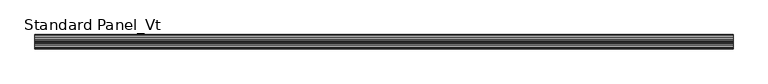
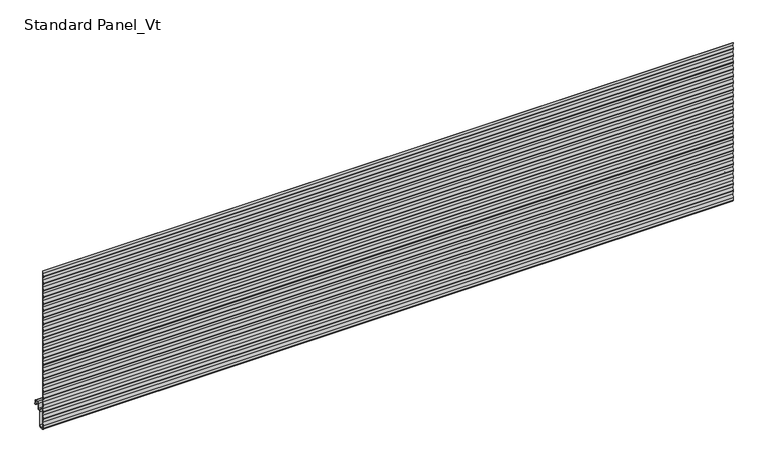
"""IFC4 building model written with IfcOpenShell, lengths in millimetres: proxy geometry, Standard Panel_Vt."""

import ifcopenshell
import ifcopenshell.guid

model = None  # the IFC model being written
_history = None  # IfcOwnerHistory: only IFC2X3 demands one
_inside = {}  # id of a spatial element -> (the spatial element, [elements in it])
_under = {}  # id of a project, library or spatial element -> (it, [spatial elements below it])
_declared = {}  # id of a project -> (the project, [libraries it declares])
_typed = {}  # id of a type object -> (the type object, [elements of that type])
_made_of = {}  # id of a material, layer set ... -> (it, [elements and type objects made of it])


def new_model(schema):
    """Start an empty IFC model of exactly this schema.

    Asked for "IFC4X3", IfcOpenShell would pick the latest addendum, in which some entities
    have other attributes; the version numbers below select the first issue.
    IFC2X3 requires an IfcOwnerHistory on every rooted entity: one is made here for all.
    """
    global model, _history
    if schema == "IFC4X3":
        model = ifcopenshell.file(schema_version=(4, 3, 0, 0))
    else:
        model = ifcopenshell.file(schema=schema)
    _inside.clear()
    _under.clear()
    _declared.clear()
    _typed.clear()
    _made_of.clear()
    _history = None
    if model.schema == "IFC2X3":
        org = make("IfcOrganization", Name="unknown")
        user = make(
            "IfcPersonAndOrganization",
            ThePerson=make("IfcPerson", FamilyName="unknown"),
            TheOrganization=org,
        )
        app = make(
            "IfcApplication",
            ApplicationDeveloper=org,
            Version="unknown",
            ApplicationFullName="unknown",
            ApplicationIdentifier="unknown",
        )
        _history = make(
            "IfcOwnerHistory",
            OwningUser=user,
            OwningApplication=app,
            ChangeAction="ADDED",
            CreationDate=0,
        )
    return model


def make(cls, **values):
    """One entity of the class cls with the attributes given. An attribute that is None is left unset."""
    return model.create_entity(
        cls, **{name: value for name, value in values.items() if value is not None}
    )


def rooted(cls, **values):
    """An entity with a GlobalId (a new one), such as an element, a storey or a relation."""
    return make(cls, GlobalId=ifcopenshell.guid.new(), OwnerHistory=_history, **values)


def si_unit(unit_type, name, prefix=None):
    """IfcSIUnit, for example si_unit("LENGTHUNIT", "METRE", prefix="MILLI")."""
    return make("IfcSIUnit", UnitType=unit_type, Prefix=prefix, Name=name)


def assignment(units):
    """IfcUnitAssignment: the units of a project."""
    return None if units is None else make("IfcUnitAssignment", Units=units)


def point(xyz):
    """IfcCartesianPoint."""
    return None if xyz is None else make("IfcCartesianPoint", Coordinates=xyz)


def direction(xyz):
    """IfcDirection."""
    return None if xyz is None else make("IfcDirection", DirectionRatios=xyz)


def frame(location, z_axis=None, x_axis=None):
    """IfcAxis2Placement3D, a coordinate frame: its origin and axes. An axis left out is left unset."""
    return make(
        "IfcAxis2Placement3D",
        Location=point(location),
        Axis=direction(z_axis),
        RefDirection=direction(x_axis),
    )


def frame_2d(location, x_axis=None):
    """IfcAxis2Placement2D, a coordinate frame in the plane: its origin and x axis."""
    return make(
        "IfcAxis2Placement2D", Location=point(location), RefDirection=direction(x_axis)
    )


def origin():
    """The frame at (0, 0, 0) with its axes left unset."""
    return frame((0.0, 0.0, 0.0))


def place(relative_to, where):
    """IfcLocalPlacement: puts the frame where relative to a parent placement (None: the world)."""
    return make(
        "IfcLocalPlacement", PlacementRelTo=relative_to, RelativePlacement=where
    )


def context(
    kind, dimensions, precision=None, world=None, true_north=None, identifier=None
):
    """IfcGeometricRepresentationContext, for example the 3D "Model" context."""
    return make(
        "IfcGeometricRepresentationContext",
        ContextIdentifier=identifier,
        ContextType=kind,
        CoordinateSpaceDimension=dimensions,
        Precision=precision,
        WorldCoordinateSystem=world,
        TrueNorth=true_north,
    )


def project(units=None, contexts=None):
    """IfcProject with its units and contexts."""
    return rooted(
        "IfcProject",
        Name="project",
        RepresentationContexts=contexts,
        UnitsInContext=assignment(units),
    )


def spatial(cls, under=None, at=None, **own):
    """A site, building, storey or space (cls), placed at a placement, below another one or the project."""
    s = rooted(cls, ObjectPlacement=at, **own)
    if under is not None:
        _under.setdefault(under.id(), (under, []))[1].append(s)
    return s


def polyline(points):
    """IfcPolyline through the points."""
    return make("IfcPolyline", Points=[point(p) for p in points])


def circle_curve(where, radius):
    """IfcCircle in the frame where."""
    return make("IfcCircle", Position=where, Radius=radius)


def trimmed(basis, trim1, trim2, sense, master):
    """IfcTrimmedCurve: the piece of a basis curve between two trims."""
    return make(
        "IfcTrimmedCurve",
        BasisCurve=basis,
        Trim1=trim1,
        Trim2=trim2,
        SenseAgreement=sense,
        MasterRepresentation=master,
    )


def segment(curve, same_sense, transition):
    """IfcCompositeCurveSegment."""
    return make(
        "IfcCompositeCurveSegment",
        Transition=transition,
        SameSense=same_sense,
        ParentCurve=curve,
    )


def composite_curve(segments, self_intersect=None):
    """IfcCompositeCurve: segments joined end to end."""
    return make("IfcCompositeCurve", Segments=segments, SelfIntersect=self_intersect)


def outline(outer, holes=None, kind="AREA"):
    """IfcArbitraryClosedProfileDef: a profile drawn as a closed curve; with holes, ...WithVoids."""
    if holes is None:
        return make("IfcArbitraryClosedProfileDef", ProfileType=kind, OuterCurve=outer)
    return make(
        "IfcArbitraryProfileDefWithVoids",
        ProfileType=kind,
        OuterCurve=outer,
        InnerCurves=holes,
    )


def extrude(swept, where, along, depth):
    """IfcExtrudedAreaSolid: the profile swept, set in the frame where, extruded along a direction by depth."""
    return make(
        "IfcExtrudedAreaSolid",
        SweptArea=swept,
        Position=where,
        ExtrudedDirection=direction(along),
        Depth=depth,
    )


def shape(context_of_items, identifier, shape_type, items):
    """IfcShapeRepresentation: the items that make up one representation, for example the "Body"."""
    return make(
        "IfcShapeRepresentation",
        ContextOfItems=context_of_items,
        RepresentationIdentifier=identifier,
        RepresentationType=shape_type,
        Items=items,
    )


def source(mapping_origin, context_of_items, identifier, shape_type, items):
    """IfcRepresentationMap: a shape defined once, which mapped items show again and again."""
    return make(
        "IfcRepresentationMap",
        MappingOrigin=mapping_origin,
        MappedRepresentation=shape(context_of_items, identifier, shape_type, items),
    )


def transform(
    local_origin,
    x_axis=None,
    y_axis=None,
    z_axis=None,
    scale=None,
    scale2=None,
    scale3=None,
    uniform=True,
):
    """IfcCartesianTransformationOperator3D, or its non-uniform kind. x_axis, y_axis, z_axis: its Axis1, 2, 3."""
    if uniform:
        return make(
            "IfcCartesianTransformationOperator3D",
            Axis1=direction(x_axis),
            Axis2=direction(y_axis),
            LocalOrigin=point(local_origin),
            Scale=scale,
            Axis3=direction(z_axis),
        )
    return make(
        "IfcCartesianTransformationOperator3DnonUniform",
        Axis1=direction(x_axis),
        Axis2=direction(y_axis),
        LocalOrigin=point(local_origin),
        Scale=scale,
        Axis3=direction(z_axis),
        Scale2=scale2,
        Scale3=scale3,
    )


def mapped(mapping_source, mapping_target):
    """IfcMappedItem: shows the shape of a source again, moved by a transform."""
    return make(
        "IfcMappedItem", MappingSource=mapping_source, MappingTarget=mapping_target
    )


def made_of(thing, what):
    """Note that an element or type object is made of a material, layer set ...; save() writes the relation."""
    if what is not None:
        _made_of.setdefault(what.id(), (what, []))[1].append(thing)
    return thing


def element(
    cls,
    number,
    at=None,
    inside=None,
    cuts=None,
    type_object=None,
    material=None,
    context=None,
    identifier="Body",
    shape_type=None,
    held_by="IfcProductDefinitionShape",
    body=None,
    shapes=None,
    **own,
):
    """One element of the class cls, such as IfcWall. Its Tag is "e" and its number.

    at: its placement. inside: the storey or other place that contains it. cuts: it is an
    opening in that element (IfcRelVoidsElement). A single representation is given by context,
    identifier, shape_type and body (its items); several are given by shapes. held_by: the class
    of the entity that holds the representations. save() writes the other relations.
    """
    e = rooted(cls, Tag="e%d" % number, ObjectPlacement=at, **own)
    if body is not None:
        shapes = [shape(context, identifier, shape_type, body)]
    if shapes is not None:
        e.Representation = make(held_by, Representations=shapes)
    if inside is not None:
        _inside.setdefault(inside.id(), (inside, []))[1].append(e)
    if cuts is not None:
        rooted(
            "IfcRelVoidsElement", RelatingBuildingElement=cuts, RelatedOpeningElement=e
        )
    if type_object is not None:
        _typed.setdefault(type_object.id(), (type_object, []))[1].append(e)
    return made_of(e, material)


def aggregate(whole, parts):
    """IfcRelAggregates: a whole, such as a stair, and the parts it consists of."""
    return rooted("IfcRelAggregates", RelatingObject=whole, RelatedObjects=parts)


def save(model, path):
    """Write the relations noted so far, then the file.

    IfcRelAggregates (storeys below a building ...), IfcRelContainedInSpatialStructure (elements
    in a storey), IfcRelDefinesByType, IfcRelAssociatesMaterial and IfcRelDeclares: one each for
    every whole, place, type object, material and project.
    """
    for whole, parts in _under.values():
        aggregate(whole, parts)
    for where, things in _inside.values():
        rooted(
            "IfcRelContainedInSpatialStructure",
            RelatedElements=things,
            RelatingStructure=where,
        )
    for kind, things in _typed.values():
        rooted("IfcRelDefinesByType", RelatedObjects=things, RelatingType=kind)
    for what, things in _made_of.values():
        rooted("IfcRelAssociatesMaterial", RelatedObjects=things, RelatingMaterial=what)
    for by, libraries in _declared.values():
        rooted("IfcRelDeclares", RelatingContext=by, RelatedDefinitions=libraries)
    model.write(path)


def standard_panel_vt_7b15335d(model_context):
    return source(origin(), model_context, "Body", "SweptSolid", [
        extrude(outline(composite_curve([segment(polyline([(-69.0382692, 314.7570927), (-69.7373235, 320.0), (-68.9302437, 320.0), (-68.2311894, 314.7570927), (-69.1690104, 307.7234349)]), True, "CONTINUOUS"), segment(trimmed(circle_curve(frame_2d((-65.5946345, 307.2468514)), 3.6060082), [point((-69.1690104, 307.7234349))], [point((-69.1690104, 306.770268))], True, "CARTESIAN"), True, "CONTINUOUS"), segment(polyline([(-69.1690104, 306.770268), (-68.2311894, 299.7366102), (-69.1690104, 292.7029524)]), True, "CONTINUOUS"), segment(trimmed(circle_curve(frame_2d((-65.5946345, 292.226369)), 3.6060082), [point((-69.1690104, 292.7029524))], [point((-69.1690104, 291.7497855))], True, "CARTESIAN"), True, "CONTINUOUS"), segment(polyline([(-69.1690104, 291.7497855), (-68.2311894, 284.7161278), (-69.1690104, 277.68247)]), True, "CONTINUOUS"), segment(trimmed(circle_curve(frame_2d((-65.5946345, 277.2058865)), 3.6060082), [point((-69.1690104, 277.68247))], [point((-69.1690104, 276.7293031))], True, "CARTESIAN"), True, "CONTINUOUS"), segment(polyline([(-69.1690104, 276.7293031), (-68.2311894, 269.6956453), (-69.1690104, 262.6619875)]), True, "CONTINUOUS"), segment(trimmed(circle_curve(frame_2d((-65.5946345, 262.1854041)), 3.6060082), [point((-69.1690104, 262.6619875))], [point((-69.1690104, 261.7088206))], True, "CARTESIAN"), True, "CONTINUOUS"), segment(polyline([(-69.1690104, 261.7088206), (-68.2311894, 254.6751629), (-69.1690104, 247.6415051)]), True, "CONTINUOUS"), segment(trimmed(circle_curve(frame_2d((-65.5946345, 247.1649216)), 3.6060082), [point((-69.1690104, 247.6415051))], [point((-69.1690104, 246.6883382))], True, "CARTESIAN"), True, "CONTINUOUS"), segment(polyline([(-69.1690104, 246.6883382), (-68.2311894, 239.6546804), (-69.1690104, 232.6210227)]), True, "CONTINUOUS"), segment(trimmed(circle_curve(frame_2d((-65.5946345, 232.1444392)), 3.6060082), [point((-69.1690104, 232.6210227))], [point((-69.1690104, 231.6678557))], True, "CARTESIAN"), True, "CONTINUOUS"), segment(polyline([(-69.1690104, 231.6678557), (-68.2311894, 224.634198), (-69.1690104, 217.6005402)]), True, "CONTINUOUS"), segment(trimmed(circle_curve(frame_2d((-65.5946345, 217.1239568)), 3.6060082), [point((-69.1690104, 217.6005402))], [point((-69.1690104, 216.6473733))], True, "CARTESIAN"), True, "CONTINUOUS"), segment(polyline([(-69.1690104, 216.6473733), (-68.2311894, 209.6137155), (-69.1690104, 202.5800578)]), True, "CONTINUOUS"), segment(trimmed(circle_curve(frame_2d((-65.5946345, 202.1034743)), 3.6060082), [point((-69.1690104, 202.5800578))], [point((-69.1690104, 201.6268908))], True, "CARTESIAN"), True, "CONTINUOUS"), segment(polyline([(-69.1690104, 201.6268908), (-68.2311894, 194.5932331), (-69.1690104, 187.5595753)]), True, "CONTINUOUS"), segment(trimmed(circle_curve(frame_2d((-65.5946345, 187.0829919)), 3.6060082), [point((-69.1690104, 187.5595753))], [point((-69.1690104, 186.6064084))], True, "CARTESIAN"), True, "CONTINUOUS"), segment(polyline([(-69.1690104, 186.6064084), (-68.2311894, 179.5727507), (-69.1690104, 172.5390929)]), True, "CONTINUOUS"), segment(trimmed(circle_curve(frame_2d((-65.5946345, 172.0625094)), 3.6060082), [point((-69.1690104, 172.5390929))], [point((-69.1690104, 171.585926))], True, "CARTESIAN"), True, "CONTINUOUS"), segment(polyline([(-69.1690104, 171.585926), (-68.2311894, 164.5522682), (-69.1690104, 157.5186104)]), True, "CONTINUOUS"), segment(trimmed(circle_curve(frame_2d((-65.5946345, 157.042027)), 3.6060082), [point((-69.1690104, 157.5186104))], [point((-69.1690104, 156.5654435))], True, "CARTESIAN"), True, "CONTINUOUS"), segment(polyline([(-69.1690104, 156.5654435), (-68.2311894, 149.5317858), (-69.1690104, 142.498128)]), True, "CONTINUOUS"), segment(trimmed(circle_curve(frame_2d((-65.5946345, 142.0215445)), 3.6060082), [point((-69.1690104, 142.498128))], [point((-69.1690104, 141.5449611))], True, "CARTESIAN"), True, "CONTINUOUS"), segment(polyline([(-69.1690104, 141.5449611), (-68.2311894, 134.5113033), (-69.1690104, 127.4776455)]), True, "CONTINUOUS"), segment(trimmed(circle_curve(frame_2d((-65.5946345, 127.0010621)), 3.6060082), [point((-69.1690104, 127.4776455))], [point((-69.1690104, 126.5244786))], True, "CARTESIAN"), True, "CONTINUOUS"), segment(polyline([(-69.1690104, 126.5244786), (-68.2311894, 119.4908209), (-69.1690104, 112.4571631)]), True, "CONTINUOUS"), segment(trimmed(circle_curve(frame_2d((-65.5946345, 111.9805796)), 3.6060082), [point((-69.1690104, 112.4571631))], [point((-69.1690104, 111.5039962))], True, "CARTESIAN"), True, "CONTINUOUS"), segment(polyline([(-69.1690104, 111.5039962), (-68.2311894, 104.4703384), (-69.1690104, 97.4366807)]), True, "CONTINUOUS"), segment(trimmed(circle_curve(frame_2d((-65.5946345, 96.9600972)), 3.6060082), [point((-69.1690104, 97.4366807))], [point((-69.1690104, 96.4835137))], True, "CARTESIAN"), True, "CONTINUOUS"), segment(polyline([(-69.1690104, 96.4835137), (-68.2311894, 89.449856), (-69.1690104, 82.4161982)]), True, "CONTINUOUS"), segment(trimmed(circle_curve(frame_2d((-65.5946345, 81.9396148)), 3.6060082), [point((-69.1690104, 82.4161982))], [point((-69.1690104, 81.4630313))], True, "CARTESIAN"), True, "CONTINUOUS"), segment(polyline([(-69.1690104, 81.4630313), (-68.2311894, 74.4293735), (-69.1690104, 67.3957158)]), True, "CONTINUOUS"), segment(trimmed(circle_curve(frame_2d((-65.5946345, 66.9191323)), 3.6060082), [point((-69.1690104, 67.3957158))], [point((-69.1690104, 66.4425488))], True, "CARTESIAN"), True, "CONTINUOUS"), segment(polyline([(-69.1690104, 66.4425488), (-68.2311894, 59.4088911), (-69.1690104, 52.3752333)]), True, "CONTINUOUS"), segment(trimmed(circle_curve(frame_2d((-65.5946345, 51.8986499)), 3.6060082), [point((-69.1690104, 52.3752333))], [point((-69.1690104, 51.4220664))], True, "CARTESIAN"), True, "CONTINUOUS"), segment(polyline([(-69.1690104, 51.4220664), (-68.2311894, 44.3884087), (-69.1690104, 37.3547509)]), True, "CONTINUOUS"), segment(trimmed(circle_curve(frame_2d((-65.5946345, 36.8781674)), 3.6060082), [point((-69.1690104, 37.3547509))], [point((-69.1690104, 36.401584))], True, "CARTESIAN"), True, "CONTINUOUS"), segment(polyline([(-69.1690104, 36.401584), (-68.2311894, 29.3679262), (-69.2325549, 21.857685), (-68.2311894, 14.3474437), (-69.1690104, 7.313786)]), True, "CONTINUOUS"), segment(trimmed(circle_curve(frame_2d((-65.5946345, 6.8372025)), 3.6060082), [point((-69.1690104, 7.313786))], [point((-69.1690104, 6.3606191))], True, "CARTESIAN"), True, "CONTINUOUS"), segment(polyline([(-69.1690104, 6.3606191), (-68.2311894, -0.6730387), (-69.1690104, -7.7066964)]), True, "CONTINUOUS"), segment(trimmed(circle_curve(frame_2d((-65.5946345, -8.1832799)), 3.6060082), [point((-69.1690104, -7.7066964))], [point((-69.1690104, -8.6598634))], True, "CARTESIAN"), True, "CONTINUOUS"), segment(polyline([(-69.1690104, -8.6598634), (-68.2311894, -15.6935211), (-69.2006275, -22.9643066), (-69.2006275, -28.9549199)]), True, "CONTINUOUS"), segment(trimmed(circle_curve(frame_2d((-66.4402183, -28.9549199)), 2.7604092), [point((-69.2006275, -28.9549199))], [point((-66.1996106, -31.704823))], True, "CARTESIAN"), True, "CONTINUOUS"), segment(polyline([(-66.1996106, -31.704823), (-61.4529208, -31.2895029)]), True, "CONTINUOUS"), segment(trimmed(circle_curve(frame_2d((-61.7057134, -28.4003379)), 2.9002032), [point((-61.4529208, -31.2895029))], [point((-58.8055103, -28.4003379))], True, "CARTESIAN"), True, "CONTINUOUS"), segment(polyline([(-58.8055103, -28.4003379), (-58.8055103, 1.2289307)]), True, "CONTINUOUS"), segment(trimmed(circle_curve(frame_2d((-56.4057064, 1.2289307)), 2.3998039), [point((-58.8055103, 1.2289307))], [point((-56.4057064, 3.6287346))], False, "CARTESIAN"), True, "CONTINUOUS"), segment(polyline([(-56.4057064, 3.6287346), (-54.4057064, 3.6287346)]), True, "CONTINUOUS"), segment(trimmed(circle_curve(frame_2d((-54.4057064, 5.2289307)), 1.6001961), [point((-54.4057064, 3.6287346))], [point((-52.8055103, 5.2289307))], True, "CARTESIAN"), True, "CONTINUOUS"), segment(polyline([(-52.8055103, 5.2289307), (-52.8055103, 15.8984215)]), True, "CONTINUOUS"), segment(trimmed(circle_curve(frame_2d((-49.6557064, 15.8984215)), 3.1498039), [point((-52.8055103, 15.8984215))], [point((-49.6557064, 19.0482254))], False, "CARTESIAN"), True, "CONTINUOUS"), segment(polyline([(-49.6557064, 19.0482254), (-45.2557048, 19.0482254)]), True, "CONTINUOUS"), segment(trimmed(circle_curve(frame_2d((-45.2557048, 15.8984215)), 3.1498039), [point((-45.2557048, 19.0482254))], [point((-42.1059009, 15.8984215))], False, "CARTESIAN"), True, "CONTINUOUS"), segment(polyline([(-42.1059009, 15.8984215), (-42.1059009, 8.1391937)]), True, "CONTINUOUS"), segment(trimmed(circle_curve(frame_2d((-41.7057056, 8.1391937)), 0.4001953), [point((-42.1059009, 8.1391937))], [point((-41.3055103, 8.1391937))], True, "CARTESIAN"), True, "CONTINUOUS"), segment(polyline([(-41.3055103, 8.1391937), (-41.3055103, 9.509193), (-40.5055103, 9.509193), (-40.5055103, 8.1391937)]), True, "CONTINUOUS"), segment(trimmed(circle_curve(frame_2d((-41.7057056, 8.1391937)), 1.2001953), [point((-40.5055103, 8.1391937))], [point((-42.9059009, 8.1391937))], False, "CARTESIAN"), True, "CONTINUOUS"), segment(polyline([(-42.9059009, 8.1391937), (-42.9059009, 15.8984215)]), True, "CONTINUOUS"), segment(trimmed(circle_curve(frame_2d((-45.2557048, 15.8984215)), 2.3498039), [point((-42.9059009, 15.8984215))], [point((-45.2557048, 18.2482254))], True, "CARTESIAN"), True, "CONTINUOUS"), segment(polyline([(-45.2557048, 18.2482254), (-49.6557064, 18.2482254)]), True, "CONTINUOUS"), segment(trimmed(circle_curve(frame_2d((-49.6557064, 15.8984215)), 2.3498039), [point((-49.6557064, 18.2482254))], [point((-52.0055103, 15.8984215))], True, "CARTESIAN"), True, "CONTINUOUS"), segment(polyline([(-52.0055103, 15.8984215), (-52.0055103, 5.2289307)]), True, "CONTINUOUS"), segment(trimmed(circle_curve(frame_2d((-54.4057064, 5.2289307)), 2.4001961), [point((-52.0055103, 5.2289307))], [point((-54.4057064, 2.8287346))], False, "CARTESIAN"), True, "CONTINUOUS"), segment(polyline([(-54.4057064, 2.8287346), (-56.4057064, 2.8287346)]), True, "CONTINUOUS"), segment(trimmed(circle_curve(frame_2d((-56.4057064, 1.2289307)), 1.5998039), [point((-56.4057064, 2.8287346))], [point((-58.0055103, 1.2289307))], True, "CARTESIAN"), True, "CONTINUOUS"), segment(polyline([(-58.0055103, 1.2289307), (-58.0055103, -28.4003379)]), True, "CONTINUOUS"), segment(trimmed(circle_curve(frame_2d((-61.7057134, -28.4003379)), 3.7002032), [point((-58.0055103, -28.4003379))], [point((-61.3831898, -32.0864581))], False, "CARTESIAN"), True, "CONTINUOUS"), segment(polyline([(-61.3831898, -32.0864581), (-66.1298796, -32.5017781)]), True, "CONTINUOUS"), segment(trimmed(circle_curve(frame_2d((-66.4402183, -28.9549199)), 3.5604092), [point((-66.1298796, -32.5017781))], [point((-70.0006275, -28.9549199))], False, "CARTESIAN"), True, "CONTINUOUS"), segment(polyline([(-70.0006275, -28.9549199), (-70.0006275, -22.9112082), (-69.0382692, -15.6935211), (-69.9619928, -8.7655943)]), True, "CONTINUOUS"), segment(trimmed(circle_curve(frame_2d((-65.5946345, -8.1832799)), 4.4060082), [point((-69.9619928, -8.7655943))], [point((-69.9619928, -7.6009655))], False, "CARTESIAN"), True, "CONTINUOUS"), segment(polyline([(-69.9619928, -7.6009655), (-69.0382692, -0.6730387), (-69.9619928, 6.2548881)]), True, "CONTINUOUS"), segment(trimmed(circle_curve(frame_2d((-65.5946345, 6.8372025)), 4.4060082), [point((-69.9619928, 6.2548881))], [point((-69.9619928, 7.419517))], False, "CARTESIAN"), True, "CONTINUOUS"), segment(polyline([(-69.9619928, 7.419517), (-69.0382692, 14.3474437), (-70.0396347, 21.857685), (-69.0382692, 29.3679262), (-69.9619928, 36.295853)]), True, "CONTINUOUS"), segment(trimmed(circle_curve(frame_2d((-65.5946345, 36.8781674)), 4.4060082), [point((-69.9619928, 36.295853))], [point((-69.9619928, 37.4604819))], False, "CARTESIAN"), True, "CONTINUOUS"), segment(polyline([(-69.9619928, 37.4604819), (-69.0382692, 44.3884087), (-69.9619928, 51.3163354)]), True, "CONTINUOUS"), segment(trimmed(circle_curve(frame_2d((-65.5946345, 51.8986499)), 4.4060082), [point((-69.9619928, 51.3163354))], [point((-69.9619928, 52.4809643))], False, "CARTESIAN"), True, "CONTINUOUS"), segment(polyline([(-69.9619928, 52.4809643), (-69.0382692, 59.4088911), (-69.9619928, 66.3368179)]), True, "CONTINUOUS"), segment(trimmed(circle_curve(frame_2d((-65.5946345, 66.9191323)), 4.4060082), [point((-69.9619928, 66.3368179))], [point((-69.9619928, 67.5014467))], False, "CARTESIAN"), True, "CONTINUOUS"), segment(polyline([(-69.9619928, 67.5014467), (-69.0382692, 74.4293735), (-69.9619928, 81.3573003)]), True, "CONTINUOUS"), segment(trimmed(circle_curve(frame_2d((-65.5946345, 81.9396148)), 4.4060082), [point((-69.9619928, 81.3573003))], [point((-69.9619928, 82.5219292))], False, "CARTESIAN"), True, "CONTINUOUS"), segment(polyline([(-69.9619928, 82.5219292), (-69.0382692, 89.449856), (-69.9619928, 96.3777828)]), True, "CONTINUOUS"), segment(trimmed(circle_curve(frame_2d((-65.5946345, 96.9600972)), 4.4060082), [point((-69.9619928, 96.3777828))], [point((-69.9619928, 97.5424116))], False, "CARTESIAN"), True, "CONTINUOUS"), segment(polyline([(-69.9619928, 97.5424116), (-69.0382692, 104.4703384), (-69.9619928, 111.3982652)]), True, "CONTINUOUS"), segment(trimmed(circle_curve(frame_2d((-65.5946345, 111.9805796)), 4.4060082), [point((-69.9619928, 111.3982652))], [point((-69.9619928, 112.5628941))], False, "CARTESIAN"), True, "CONTINUOUS"), segment(polyline([(-69.9619928, 112.5628941), (-69.0382692, 119.4908209), (-69.9619928, 126.4187476)]), True, "CONTINUOUS"), segment(trimmed(circle_curve(frame_2d((-65.5946345, 127.0010621)), 4.4060082), [point((-69.9619928, 126.4187476))], [point((-69.9619928, 127.5833765))], False, "CARTESIAN"), True, "CONTINUOUS"), segment(polyline([(-69.9619928, 127.5833765), (-69.0382692, 134.5113033), (-69.9619928, 141.4392301)]), True, "CONTINUOUS"), segment(trimmed(circle_curve(frame_2d((-65.5946345, 142.0215445)), 4.4060082), [point((-69.9619928, 141.4392301))], [point((-69.9619928, 142.603859))], False, "CARTESIAN"), True, "CONTINUOUS"), segment(polyline([(-69.9619928, 142.603859), (-69.0382692, 149.5317858), (-69.9619928, 156.4597125)]), True, "CONTINUOUS"), segment(trimmed(circle_curve(frame_2d((-65.5946345, 157.042027)), 4.4060082), [point((-69.9619928, 156.4597125))], [point((-69.9619928, 157.6243414))], False, "CARTESIAN"), True, "CONTINUOUS"), segment(polyline([(-69.9619928, 157.6243414), (-69.0382692, 164.5522682), (-69.9619928, 171.480195)]), True, "CONTINUOUS"), segment(trimmed(circle_curve(frame_2d((-65.5946345, 172.0625094)), 4.4060082), [point((-69.9619928, 171.480195))], [point((-69.9619928, 172.6448239))], False, "CARTESIAN"), True, "CONTINUOUS"), segment(polyline([(-69.9619928, 172.6448239), (-69.0382692, 179.5727507), (-69.9619928, 186.5006774)]), True, "CONTINUOUS"), segment(trimmed(circle_curve(frame_2d((-65.5946345, 187.0829919)), 4.4060082), [point((-69.9619928, 186.5006774))], [point((-69.9619928, 187.6653063))], False, "CARTESIAN"), True, "CONTINUOUS"), segment(polyline([(-69.9619928, 187.6653063), (-69.0382692, 194.5932331), (-69.9619928, 201.5211599)]), True, "CONTINUOUS"), segment(trimmed(circle_curve(frame_2d((-65.5946345, 202.1034743)), 4.4060082), [point((-69.9619928, 201.5211599))], [point((-69.9619928, 202.6857887))], False, "CARTESIAN"), True, "CONTINUOUS"), segment(polyline([(-69.9619928, 202.6857887), (-69.0382692, 209.6137155), (-69.9619928, 216.5416423)]), True, "CONTINUOUS"), segment(trimmed(circle_curve(frame_2d((-65.5946345, 217.1239568)), 4.4060082), [point((-69.9619928, 216.5416423))], [point((-69.9619928, 217.7062712))], False, "CARTESIAN"), True, "CONTINUOUS"), segment(polyline([(-69.9619928, 217.7062712), (-69.0382692, 224.634198), (-69.9619928, 231.5621248)]), True, "CONTINUOUS"), segment(trimmed(circle_curve(frame_2d((-65.5946345, 232.1444392)), 4.4060082), [point((-69.9619928, 231.5621248))], [point((-69.9619928, 232.7267536))], False, "CARTESIAN"), True, "CONTINUOUS"), segment(polyline([(-69.9619928, 232.7267536), (-69.0382692, 239.6546804), (-69.9619928, 246.5826072)]), True, "CONTINUOUS"), segment(trimmed(circle_curve(frame_2d((-65.5946345, 247.1649216)), 4.4060082), [point((-69.9619928, 246.5826072))], [point((-69.9619928, 247.7472361))], False, "CARTESIAN"), True, "CONTINUOUS"), segment(polyline([(-69.9619928, 247.7472361), (-69.0382692, 254.6751629), (-69.9619928, 261.6030896)]), True, "CONTINUOUS"), segment(trimmed(circle_curve(frame_2d((-65.5946345, 262.1854041)), 4.4060082), [point((-69.9619928, 261.6030896))], [point((-69.9619928, 262.7677185))], False, "CARTESIAN"), True, "CONTINUOUS"), segment(polyline([(-69.9619928, 262.7677185), (-69.0382692, 269.6956453), (-69.9619928, 276.6235721)]), True, "CONTINUOUS"), segment(trimmed(circle_curve(frame_2d((-65.5946345, 277.2058865)), 4.4060082), [point((-69.9619928, 276.6235721))], [point((-69.9619928, 277.788201))], False, "CARTESIAN"), True, "CONTINUOUS"), segment(polyline([(-69.9619928, 277.788201), (-69.0382692, 284.7161278), (-69.9619928, 291.6440545)]), True, "CONTINUOUS"), segment(trimmed(circle_curve(frame_2d((-65.5946345, 292.226369)), 4.4060082), [point((-69.9619928, 291.6440545))], [point((-69.9619928, 292.8086834))], False, "CARTESIAN"), True, "CONTINUOUS"), segment(polyline([(-69.9619928, 292.8086834), (-69.0382692, 299.7366102), (-69.9619928, 306.664537)]), True, "CONTINUOUS"), segment(trimmed(circle_curve(frame_2d((-65.5946345, 307.2468514)), 4.4060082), [point((-69.9619928, 306.664537))], [point((-69.9619928, 307.8291658))], False, "CARTESIAN"), True, "CONTINUOUS"), segment(polyline([(-69.9619928, 307.8291658), (-69.0382692, 314.7570927)]), True, "CONTINUOUS")], self_intersect=False)), frame((-723.9042608, 0.0, 0.0), z_axis=(1.0, 0.0, 0.0), x_axis=(0.0, 1.0, 0.0)), (0.0, 0.0, 1.0), 1447.8085217),
    ])


if __name__ == "__main__":
    model = new_model("IFC4")
    model_context = context("Model", 3, world=origin())
    ifc_project = project(units=[si_unit("LENGTHUNIT", "METRE", prefix="MILLI")], contexts=[model_context])
    site = spatial("IfcSite", under=ifc_project)
    building = spatial("IfcBuilding", under=site)
    placement = place(None, origin())
    standard_panel_vt_shape = standard_panel_vt_7b15335d(model_context)
    element("IfcBuildingElementProxy", 1, Name="Standard Panel_Vt", ObjectType="Standard Panel_Vt", at=placement, inside=building, context=model_context, shape_type="MappedRepresentation", body=[
        mapped(standard_panel_vt_shape, transform((0.0, 0.0, 0.0), x_axis=(1.0, 0.0, 0.0), y_axis=(0.0, 1.0, 0.0), z_axis=(0.0, 0.0, 1.0))),
    ])
    save(model, "model.ifc")
